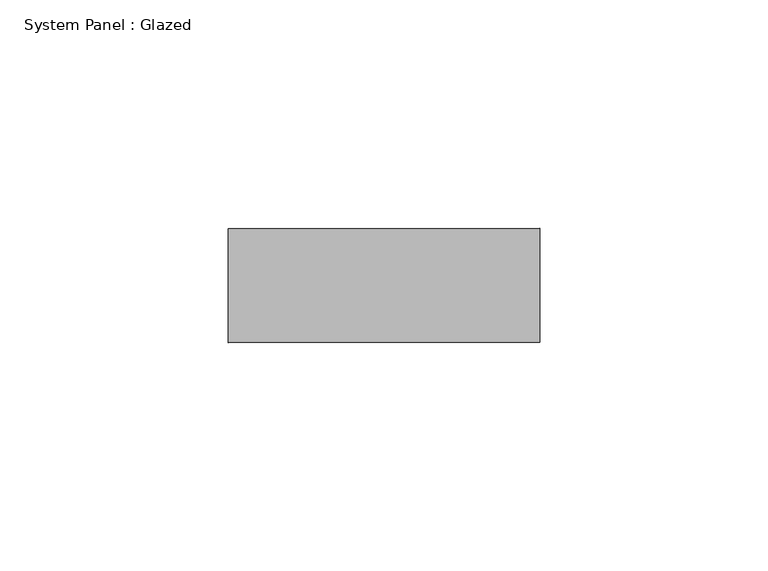
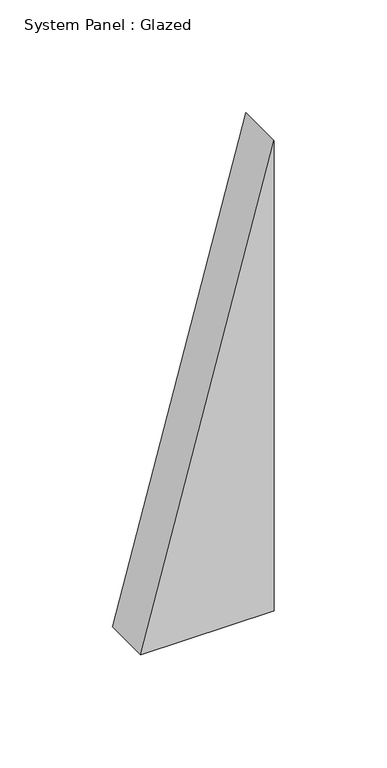
"""IFC4 building model written with IfcOpenShell, lengths in millimetres: plate geometry, System Panel : Glazed."""

from ifc_helpers import new_model, si_unit, frame, origin, place, context, project, spatial, polyline, outline, extrude, source, transform, mapped, element, save


def system_panel_glazed_0385335e(model_context):
    return source(origin(), model_context, "Body", "SweptSolid", [
        extrude(outline(polyline([(0.0, -34.0975597), (0.0, 34.0975597), (254.5076507, 34.0975597), (0.0, -34.0975597)])), frame((0.0, -2.5, 0.0), z_axis=(0.0, 1.0, 0.0), x_axis=(0.0, 0.0, 1.0)), (0.0, 0.0, 1.0), 25.0),
    ])


if __name__ == "__main__":
    model = new_model("IFC4")
    model_context = context("Model", 3, world=origin())
    ifc_project = project(units=[si_unit("LENGTHUNIT", "METRE", prefix="MILLI")], contexts=[model_context])
    site = spatial("IfcSite", under=ifc_project)
    building = spatial("IfcBuilding", under=site)
    placement = place(None, origin())
    system_panel_glazed_shape = system_panel_glazed_0385335e(model_context)
    element("IfcPlate", 1, ObjectType="System Panel : Glazed", at=placement, inside=building, context=model_context, shape_type="MappedRepresentation", body=[
        mapped(system_panel_glazed_shape, transform((0.0, 0.0, 0.0), x_axis=(1.0, 0.0, 0.0), y_axis=(0.0, 1.0, 0.0), z_axis=(0.0, 0.0, 1.0))),
    ])
    save(model, "model.ifc")
